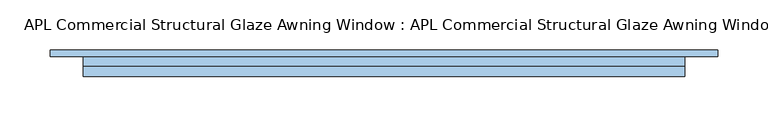
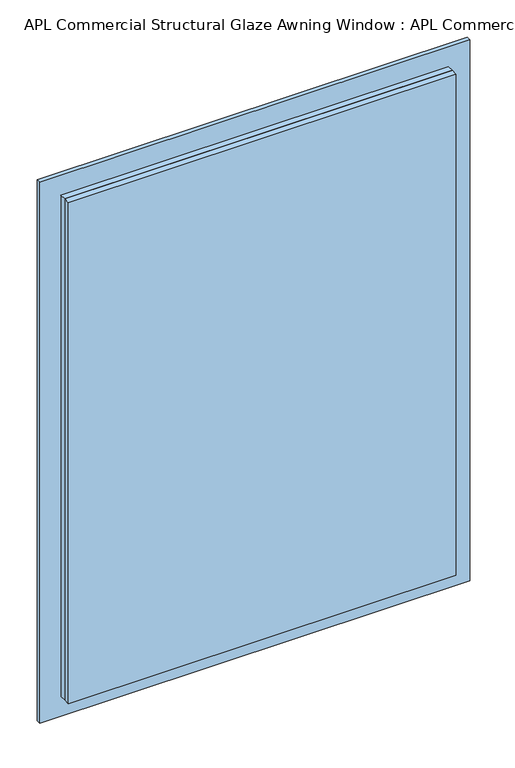
"""IFC4 building model written with IfcOpenShell, lengths in millimetres: window geometry, APL Commercial Structural Glaze Awning Window : APL Commercial Structural Glaze Awning Window."""

from ifc_helpers import new_model, si_unit, frame, origin, place, context, project, spatial, polyline, outline, extrude, source, transform, mapped, element, save


def apl_commercial_structural_glaze_awning_window_apl_commercial_23ade1ef(model_context):
    return source(origin(), model_context, "Body", "SweptSolid", [
        extrude(outline(polyline([(861.4199922, -299.6000996), (42.3999314, -299.6000996), (42.3999314, 299.6000526), (861.4199922, 299.6000526), (861.4199922, -299.6000996)]), holes=[polyline([(853.4199922, -291.6000996), (853.4199922, 291.6000526), (50.3999314, 291.6000526), (50.3999314, -291.6000996), (853.4199922, -291.6000996)])]), frame((0.0, -6.2001372, 0.0), z_axis=(0.0, 1.0, 0.0), x_axis=(0.0, 0.0, 1.0)), (0.0, 0.0, 1.0), 9.620037),
        extrude(outline(polyline([(299.6001447, -6.2001372), (299.6001447, -16.5800173), (-299.6001447, -16.5800173), (-299.6001447, -6.2001372), (299.6001447, -6.2001372)])), frame((0.0, 0.0, 42.3999314), z_axis=(0.0, 0.0, 1.0), x_axis=(1.0, 0.0, 0.0)), (0.0, 0.0, 1.0), 819.0200608),
        extrude(outline(polyline([(853.4199922, -291.6000996), (50.3999314, -291.6000996), (50.3999314, 291.6000526), (853.4199922, 291.6000526), (853.4199922, -291.6000996)]), holes=[polyline([(845.4199922, -283.6000996), (845.4199922, 283.6000526), (58.3999314, 283.6000526), (58.3999314, -283.6000996), (845.4199922, -283.6000996)])]), frame((0.0, -6.2001372, 0.0), z_axis=(0.0, 1.0, 0.0), x_axis=(0.0, 0.0, 1.0)), (0.0, 0.0, 1.0), 9.620037),
        extrude(outline(polyline([(283.6000526, 3.4198998), (283.6000526, -6.2001372), (-283.6000996, -6.2001372), (-283.6000996, 3.4198998), (283.6000526, 3.4198998)])), frame((0.0, 0.0, 58.3999314), z_axis=(0.0, 0.0, 1.0), x_axis=(1.0, 0.0, 0.0)), (0.0, 0.0, 1.0), 787.0200608),
        extrude(outline(polyline([(332.5000761, 9.7999453), (332.5000761, 3.4198998), (-332.5000761, 3.4198998), (-332.5000761, 9.7999453), (332.5000761, 9.7999453)])), frame((0.0, 0.0, 9.5), z_axis=(0.0, 0.0, 1.0), x_axis=(1.0, 0.0, 0.0)), (0.0, 0.0, 1.0), 884.8199236),
    ])


if __name__ == "__main__":
    model = new_model("IFC4")
    model_context = context("Model", 3, world=origin())
    ifc_project = project(units=[si_unit("LENGTHUNIT", "METRE", prefix="MILLI")], contexts=[model_context])
    site = spatial("IfcSite", under=ifc_project)
    building = spatial("IfcBuilding", under=site)
    placement = place(None, origin())
    apl_commercial_structural_glaze_awning_window_apl_commercial_shape = apl_commercial_structural_glaze_awning_window_apl_commercial_23ade1ef(model_context)
    element("IfcWindow", 1, ObjectType="APL Commercial Structural Glaze Awning Window : APL Commercial Structural Glaze Awning Window", at=placement, inside=building, context=model_context, shape_type="MappedRepresentation", body=[
        mapped(apl_commercial_structural_glaze_awning_window_apl_commercial_shape, transform((0.0, 0.0, 0.0), x_axis=(1.0, 0.0, 0.0), y_axis=(0.0, 1.0, 0.0), z_axis=(0.0, 0.0, 1.0))),
    ])
    save(model, "model.ifc")
